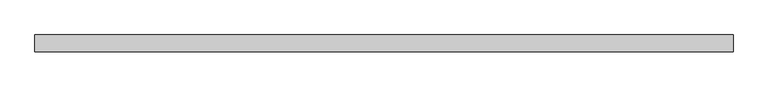
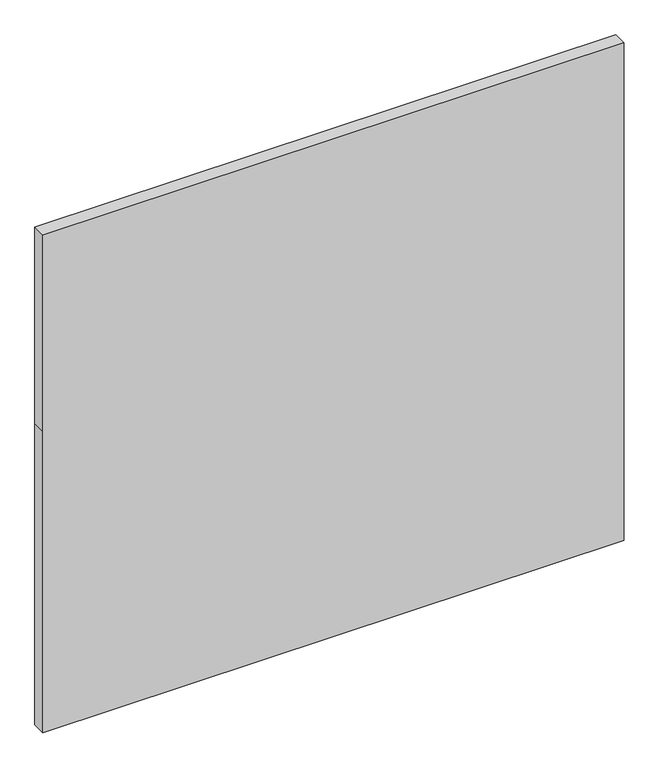
"""IFC4 building model written with IfcOpenShell, lengths in millimetres: plate geometry."""

from ifc_helpers import new_model, si_unit, frame, origin, place, context, project, spatial, polyline, outline, extrude, source, transform, mapped, element, save


def plate_976e6f82(model_context):
    return source(origin(), model_context, "Body", "SweptSolid", [
        extrude(outline(polyline([(0.0, -525.0), (0.0, 525.0), (575.0, 525.0), (950.0, 525.0), (950.0, -525.0), (575.0, -525.0), (0.0, -525.0)])), frame((0.0, -12.5, 0.0), z_axis=(0.0, 1.0, 0.0), x_axis=(0.0, 0.0, 1.0)), (0.0, 0.0, 1.0), 25.0),
    ])


if __name__ == "__main__":
    model = new_model("IFC4")
    model_context = context("Model", 3, world=origin())
    ifc_project = project(units=[si_unit("LENGTHUNIT", "METRE", prefix="MILLI")], contexts=[model_context])
    site = spatial("IfcSite", under=ifc_project)
    building = spatial("IfcBuilding", under=site)
    placement = place(None, origin())
    plate_shape = plate_976e6f82(model_context)
    element("IfcPlate", 1, at=placement, inside=building, context=model_context, shape_type="MappedRepresentation", body=[
        mapped(plate_shape, transform((0.0, 0.0, 0.0), x_axis=(1.0, 0.0, 0.0), y_axis=(0.0, 1.0, 0.0), z_axis=(0.0, 0.0, 1.0))),
    ])
    save(model, "model.ifc")
